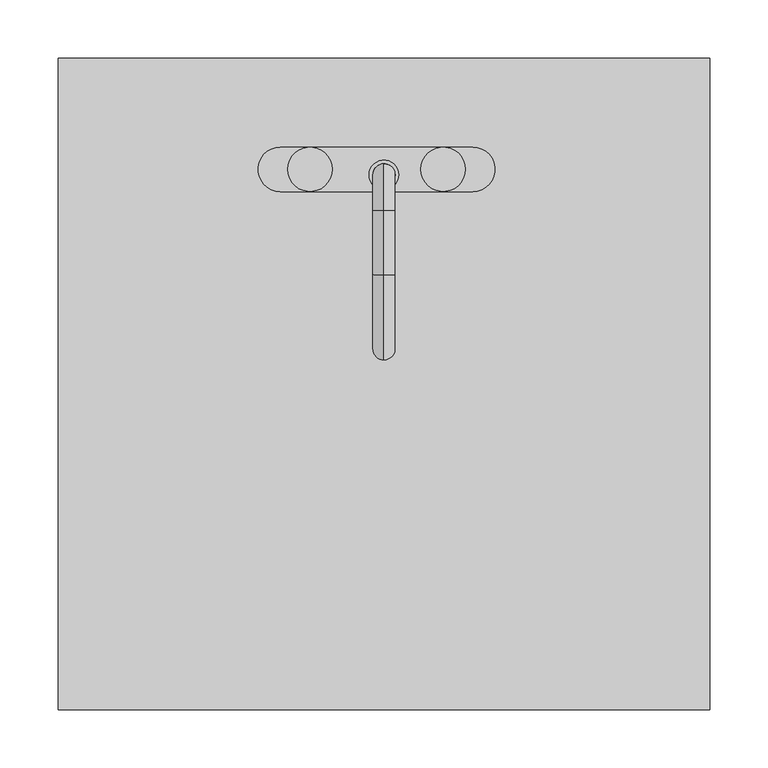
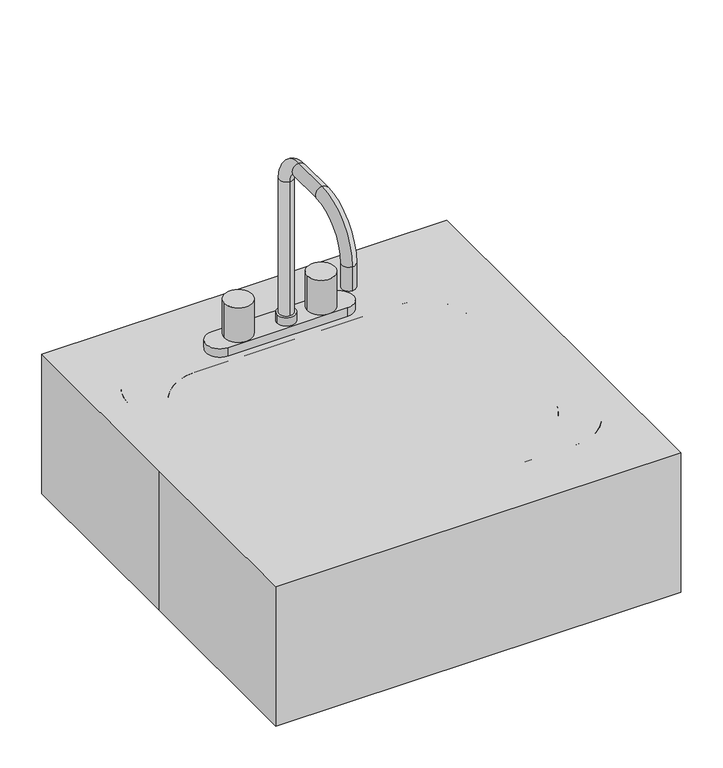
"""IFC4 building model written with IfcOpenShell, lengths in millimetres: proxy geometry."""

from ifc_helpers import new_model, si_unit, point, frame, frame_2d, origin, origin_with_axes, origin_2d, place, context, project, spatial, polyline, circle_curve, ellipse_curve, trimmed, segment, composite_curve, outline, extrude, source, transform, mapped, element, save
from ifc_brep_helpers import plane_surface, cylinder_surface, revolved_surface, advanced_brep


def specialty_equipment_25ddf7c5(model_context):
    return source(origin(), model_context, "Body", "SolidModel", [
        extrude(outline(composite_curve([segment(trimmed(circle_curve(frame_2d((139.6999999, 92.075)), 25.4), [point((139.6999999, 117.475))], [point((165.0999999, 92.075))], False, "CARTESIAN"), True, "CONTINUOUS"), segment(polyline([(165.0999999, 92.075), (165.0999999, -101.6)]), True, "CONTINUOUS"), segment(trimmed(circle_curve(frame_2d((139.6999999, -101.6)), 25.4), [point((165.0999999, -101.6))], [point((139.6999999, -127.0))], False, "CARTESIAN"), True, "CONTINUOUS"), segment(polyline([(139.6999999, -127.0), (-139.7000001, -127.0)]), True, "CONTINUOUS"), segment(trimmed(circle_curve(frame_2d((-139.7000001, -101.6)), 25.4), [point((-139.7000001, -127.0))], [point((-165.1000001, -101.6))], False, "CARTESIAN"), True, "CONTINUOUS"), segment(polyline([(-165.1000001, -101.6), (-165.1000001, 92.075)]), True, "CONTINUOUS"), segment(trimmed(circle_curve(frame_2d((-139.7000001, 92.075)), 25.4), [point((-165.1000001, 92.075))], [point((-139.7000001, 117.475))], False, "CARTESIAN"), True, "CONTINUOUS"), segment(polyline([(-139.7000001, 117.475), (139.6999999, 117.475)]), True, "CONTINUOUS")], self_intersect=False), holes=[composite_curve([segment(trimmed(circle_curve(origin_2d(), 12.7), [point((-12.7, 0.0))], [point((12.7, 0.0))], True, "CARTESIAN"), True, "CONTINUOUS"), segment(trimmed(circle_curve(origin_2d(), 12.7), [point((12.7, 0.0))], [point((-12.7, 0.0))], True, "CARTESIAN"), True, "CONTINUOUS")], self_intersect=False)]), origin_with_axes(), (0.0, 0.0, 1.0), 9.525),
        extrude(outline(polyline([(-279.4, 279.4), (279.4, 279.4), (279.4, -279.4), (-279.4, -279.4), (-279.4, 0.0), (-279.4, 279.4)])), origin_with_axes(), (0.0, 0.0, 1.0), 203.2),
        extrude(outline(composite_curve([segment(trimmed(circle_curve(frame_2d((76.1999999, 184.15)), 19.05), [point((76.1999999, 203.2))], [point((76.1999999, 165.1))], False, "CARTESIAN"), True, "CONTINUOUS"), segment(polyline([(76.1999999, 165.1), (-88.9000001, 165.1)]), True, "CONTINUOUS"), segment(trimmed(circle_curve(frame_2d((-88.9000001, 184.15)), 19.05), [point((-88.9000001, 165.1))], [point((-88.9000001, 203.2))], False, "CARTESIAN"), True, "CONTINUOUS"), segment(polyline([(-88.9000001, 203.2), (76.1999999, 203.2)]), True, "CONTINUOUS")], self_intersect=False), holes=[composite_curve([segment(trimmed(circle_curve(frame_2d((-1e-07, 179.3875)), 9.525), [point((-9.5250001, 179.3875))], [point((9.5249999, 179.3875))], True, "CARTESIAN"), True, "CONTINUOUS"), segment(trimmed(circle_curve(frame_2d((-1e-07, 179.3875)), 9.525), [point((9.5249999, 179.3875))], [point((-9.5250001, 179.3875))], True, "CARTESIAN"), True, "CONTINUOUS")], self_intersect=False)]), frame((0.0, 0.0, 203.2), z_axis=(0.0, 0.0, 1.0), x_axis=(1.0, 0.0, 0.0)), (0.0, 0.0, 1.0), 12.7),
        extrude(outline(composite_curve([segment(trimmed(circle_curve(frame_2d((-1e-07, 179.3875)), 12.7), [point((-12.7000001, 179.3875))], [point((12.6999999, 179.3875))], False, "CARTESIAN"), True, "CONTINUOUS"), segment(trimmed(circle_curve(frame_2d((-1e-07, 179.3875)), 12.7), [point((12.6999999, 179.3875))], [point((-12.7000001, 179.3875))], False, "CARTESIAN"), True, "CONTINUOUS")], self_intersect=False), holes=[composite_curve([segment(trimmed(circle_curve(frame_2d((-1e-07, 179.3875)), 9.525), [point((-9.5250001, 179.3875))], [point((9.5249999, 179.3875))], True, "CARTESIAN"), True, "CONTINUOUS"), segment(trimmed(circle_curve(frame_2d((-1e-07, 179.3875)), 9.525), [point((9.5249999, 179.3875))], [point((-9.5250001, 179.3875))], True, "CARTESIAN"), True, "CONTINUOUS")], self_intersect=False)]), frame((0.0, 0.0, 215.9), z_axis=(0.0, 0.0, 1.0), x_axis=(1.0, 0.0, 0.0)), (0.0, 0.0, 1.0), 12.7),
        advanced_brep(
        [(-1e-07, 188.9125, 203.2), (-1e-07, 169.8625, 203.2), (-1e-07, 188.9125, 423.8625), (-1e-07, 169.8625, 423.8625), (-1e-07, 149.225, 444.5), (-1e-07, 149.225, 463.55), (-1e-07, 93.6625, 463.55), (-1e-07, 93.6625, 444.5), (-1e-07, 39.6875, 390.525), (-1e-07, 20.6375, 390.525), (-1e-07, 20.6375, 355.6), (-1e-07, 39.6875, 355.6)],
        [
            (0, 1, circle_curve(frame((-1e-07, 179.3875, 203.2), z_axis=(0.0, 0.0, -1.0), x_axis=(0.0, -1.0, 0.0)), 9.525)),
            (1, 0, circle_curve(frame((-1e-07, 179.3875, 203.2), z_axis=(0.0, 0.0, -1.0), x_axis=(0.0, -1.0, 0.0)), 9.525)),
            (0, 2),
            (2, 3, circle_curve(frame((-1e-07, 179.3875, 423.8625), z_axis=(0.0, 0.0, -1.0), x_axis=(0.0, -1.0, 0.0)), 9.525)),
            (3, 1),
            (3, 2, circle_curve(frame((-1e-07, 179.3875, 423.8625), z_axis=(0.0, 0.0, -1.0), x_axis=(0.0, -1.0, 0.0)), 9.525)),
            (4, 3, circle_curve(frame((-1e-07, 149.225, 423.8625), z_axis=(-1.0, 0.0, 0.0), x_axis=(0.0, 1.0, 0.0)), 20.6375)),
            (2, 5, circle_curve(frame((-1e-07, 149.225, 423.8625), z_axis=(1.0, 0.0, 0.0), x_axis=(0.0, 1.0, 0.0)), 39.6875)),
            (5, 4, circle_curve(frame((-1e-07, 149.225, 454.025), z_axis=(0.0, 1.0, 0.0), x_axis=(0.0, 0.0, -1.0)), 9.525)),
            (4, 5, circle_curve(frame((-1e-07, 149.225, 454.025), z_axis=(0.0, 1.0, 0.0), x_axis=(0.0, 0.0, -1.0)), 9.525)),
            (5, 6),
            (6, 7, circle_curve(frame((-1e-07, 93.6625, 454.025), z_axis=(0.0, 1.0, 0.0), x_axis=(0.0, 0.0, -1.0)), 9.525)),
            (7, 4),
            (7, 6, circle_curve(frame((-1e-07, 93.6625, 454.025), z_axis=(0.0, 1.0, 0.0), x_axis=(0.0, 0.0, -1.0)), 9.525)),
            (8, 7, circle_curve(frame((-1e-07, 93.6625, 390.525), z_axis=(-1.0, 0.0, 0.0), x_axis=(0.0, 0.0, 1.0)), 53.975)),
            (6, 9, circle_curve(frame((-1e-07, 93.6625, 390.525), z_axis=(1.0, 0.0, 0.0), x_axis=(0.0, 0.0, 1.0)), 73.025)),
            (9, 8, circle_curve(frame((-1e-07, 30.1625, 390.525), z_axis=(0.0, 0.0, 1.0), x_axis=(0.0, 1.0, 0.0)), 9.525)),
            (8, 9, circle_curve(frame((-1e-07, 30.1625, 390.525), z_axis=(0.0, 0.0, 1.0), x_axis=(0.0, 1.0, 0.0)), 9.525)),
            (10, 11, circle_curve(frame((-1e-07, 30.1625, 355.6), z_axis=(0.0, 0.0, -1.0), x_axis=(0.0, 1.0, 0.0)), 9.525)),
            (11, 10, circle_curve(frame((-1e-07, 30.1625, 355.6), z_axis=(0.0, 0.0, -1.0), x_axis=(0.0, 1.0, 0.0)), 9.525)),
            (9, 10),
            (11, 8),
        ],
        [
            plane_surface(frame((-1e-07, 169.8625, 203.2), z_axis=(0.0, 0.0, -1.0), x_axis=(1.0, 0.0, 0.0))),
            cylinder_surface(frame((-1e-07, 179.3875, 203.2), z_axis=(0.0, 0.0, -1.0), x_axis=(0.0, -1.0, 0.0)), 9.525),
            revolved_surface(trimmed(ellipse_curve(frame((-1e-07, 179.3875, 423.8625), z_axis=(0.0, 0.0, -1.0), x_axis=(0.0, -1.0, 0.0)), 9.525, 9.525), [point((-1e-07, 188.9125, 423.8625))], [point((-1e-07, 169.8625, 423.8625))], True, "CARTESIAN"), (-1e-07, 149.225, 423.8625), (1.0, 0.0, 0.0)),
            revolved_surface(trimmed(ellipse_curve(frame((-1e-07, 179.3875, 423.8625), z_axis=(0.0, 0.0, -1.0), x_axis=(0.0, -1.0, 0.0)), 9.525, 9.525), [point((-1e-07, 169.8625, 423.8625))], [point((-1e-07, 188.9125, 423.8625))], True, "CARTESIAN"), (-1e-07, 149.225, 423.8625), (1.0, 0.0, 0.0)),
            cylinder_surface(frame((-1e-07, 149.225, 454.025), z_axis=(0.0, 1.0, 0.0), x_axis=(0.0, 0.0, -1.0)), 9.525),
            revolved_surface(trimmed(ellipse_curve(frame((-1e-07, 93.6625, 454.025), z_axis=(0.0, 1.0, 0.0), x_axis=(0.0, 0.0, -1.0)), 9.525, 9.525), [point((-1e-07, 93.6625, 463.55))], [point((-1e-07, 93.6625, 444.5))], True, "CARTESIAN"), (-1e-07, 93.6625, 390.525), (1.0, 0.0, 0.0)),
            revolved_surface(trimmed(ellipse_curve(frame((-1e-07, 93.6625, 454.025), z_axis=(0.0, 1.0, 0.0), x_axis=(0.0, 0.0, -1.0)), 9.525, 9.525), [point((-1e-07, 93.6625, 444.5))], [point((-1e-07, 93.6625, 463.55))], True, "CARTESIAN"), (-1e-07, 93.6625, 390.525), (1.0, 0.0, 0.0)),
            plane_surface(frame((-1e-07, 20.6375, 355.6), z_axis=(0.0, 0.0, -1.0), x_axis=(-1.0, 0.0, 0.0))),
            cylinder_surface(frame((-1e-07, 30.1625, 390.525), z_axis=(0.0, 0.0, 1.0), x_axis=(0.0, 1.0, 0.0)), 9.525),
        ],
        [
            (0, [[1, 2]]),
            (1, [[-1, 3, 4, 5]]),
            (1, [[-2, -5, 6, -3]]),
            (2, [[7, -4, 8, 9]]),
            (3, [[-8, -6, -7, 10]]),
            (4, [[-9, 11, 12, 13]]),
            (4, [[-10, -13, 14, -11]]),
            (5, [[15, -12, 16, 17]]),
            (6, [[-16, -14, -15, 18]]),
            (7, [[19, 20]]),
            (8, [[-17, 21, -20, 22]]),
            (8, [[-18, -22, -19, -21]]),
        ],
    ),
        extrude(outline(composite_curve([segment(trimmed(circle_curve(frame_2d((-63.5000001, 184.15)), 19.05), [point((-82.5500001, 184.15))], [point((-44.4500001, 184.15))], False, "CARTESIAN"), True, "CONTINUOUS"), segment(trimmed(circle_curve(frame_2d((-63.5000001, 184.15)), 19.05), [point((-44.4500001, 184.15))], [point((-82.5500001, 184.15))], False, "CARTESIAN"), True, "CONTINUOUS")], self_intersect=False)), frame((0.0, 0.0, 215.9), z_axis=(0.0, 0.0, 1.0), x_axis=(1.0, 0.0, 0.0)), (0.0, 0.0, 1.0), 50.8),
        extrude(outline(composite_curve([segment(trimmed(circle_curve(frame_2d((50.7999999, 184.15)), 19.05), [point((31.7499999, 184.15))], [point((69.8499999, 184.15))], False, "CARTESIAN"), True, "CONTINUOUS"), segment(trimmed(circle_curve(frame_2d((50.7999999, 184.15)), 19.05), [point((69.8499999, 184.15))], [point((31.7499999, 184.15))], False, "CARTESIAN"), True, "CONTINUOUS")], self_intersect=False)), frame((0.0, 0.0, 215.9), z_axis=(0.0, 0.0, 1.0), x_axis=(1.0, 0.0, 0.0)), (0.0, 0.0, 1.0), 50.8),
        advanced_brep(
        [(-139.7000001, 161.925, 0.0), (-139.7000001, 161.925, 190.5), (139.6999999, 161.925, 190.5), (139.6999999, 161.925, 0.0), (-139.7000001, 117.475, 0.0), (139.6999999, 117.475, 0.0), (-139.7000001, 117.475, 9.525), (139.6999999, 117.475, 9.525), (-139.7000001, 120.0634182, 9.525), (139.6999999, 120.0634182, 9.525), (-139.7000001, 139.0409272, 26.9146831), (139.6999999, 139.0409272, 26.9146831), (-139.7000001, 155.575, 190.5), (139.6999999, 155.575, 190.5), (209.5499999, 92.075, 0.0), (209.5499999, 92.075, 190.5), (165.0999999, 92.075, 0.0), (165.0999999, 92.075, 9.525), (167.6884181, 92.075, 9.525), (186.6659271, 92.075, 26.9146831), (203.1999999, 92.075, 190.5), (209.5499999, -101.6, 190.5), (209.5499999, -101.6, 0.0), (165.0999999, -101.6, 0.0), (165.0999999, -101.6, 9.525), (167.6884181, -101.6, 9.525), (186.6659271, -101.6, 26.9146831), (203.1999999, -101.6, 190.5), (139.6999999, -171.45, 0.0), (139.6999999, -171.45, 190.5), (139.6999999, -127.0, 0.0), (139.6999999, -127.0, 9.525), (139.6999999, -129.5884182, 9.525), (139.6999999, -148.5659272, 26.9146831), (139.6999999, -165.1, 190.5), (-139.7000001, -171.45, 190.5), (-139.7000001, -171.45, 0.0), (-139.7000001, -127.0, 0.0), (-139.7000001, -127.0, 9.525), (-139.7000001, -129.5884182, 9.525), (-139.7000001, -148.5659272, 26.9146831), (-139.7000001, -165.1, 190.5), (-209.5500001, -101.6, 0.0), (-209.5500001, -101.6, 190.5), (-165.1000001, -101.6, 0.0), (-165.1000001, -101.6, 9.525), (-167.6884183, -101.6, 9.525), (-186.6659273, -101.6, 26.9146831), (-203.2000001, -101.6, 190.5), (-209.5500001, 92.075, 190.5), (-209.5500001, 92.075, 0.0), (-165.1000001, 92.075, 0.0), (-165.1000001, 92.075, 9.525), (-167.6884183, 92.075, 9.525), (-186.6659273, 92.075, 26.9146831), (-203.2000001, 92.075, 190.5)],
        [
            (0, 1),
            (1, 2),
            (2, 3),
            (3, 0),
            (4, 0),
            (3, 5),
            (5, 4),
            (6, 4),
            (5, 7),
            (7, 6),
            (8, 6),
            (7, 9),
            (9, 8),
            (10, 8, circle_curve(frame((-139.7000001, 120.0634182, 28.575), z_axis=(-1.0, 0.0, 0.0), x_axis=(0.0, 1.0, 0.0)), 19.05)),
            (9, 11, circle_curve(frame((139.6999999, 120.0634182, 28.575), z_axis=(1.0, 0.0, 0.0), x_axis=(0.0, 1.0, 0.0)), 19.05)),
            (11, 10),
            (12, 10),
            (11, 13),
            (13, 12),
            (1, 12),
            (13, 2),
            (14, 3, circle_curve(frame((139.6999999, 92.075, 0.0), z_axis=(0.0, 0.0, 1.0), x_axis=(0.0, 1.0, 0.0)), 69.85)),
            (2, 15, circle_curve(frame((139.6999999, 92.075, 190.5), z_axis=(0.0, 0.0, -1.0), x_axis=(0.0, 1.0, 0.0)), 69.85)),
            (15, 14),
            (16, 5, circle_curve(frame((139.6999999, 92.075, 0.0), z_axis=(0.0, 0.0, 1.0), x_axis=(0.0, 1.0, 0.0)), 25.4)),
            (14, 16),
            (17, 7, circle_curve(frame((139.6999999, 92.075, 9.525), z_axis=(0.0, 0.0, 1.0), x_axis=(0.0, 1.0, 0.0)), 25.4)),
            (16, 17),
            (18, 9, circle_curve(frame((139.6999999, 92.075, 9.525), z_axis=(0.0, 0.0, 1.0), x_axis=(0.0, 1.0, 0.0)), 27.9884182)),
            (17, 18),
            (19, 11, circle_curve(frame((139.6999999, 92.075, 26.9146831), z_axis=(0.0, 0.0, 1.0), x_axis=(0.0, 1.0, 0.0)), 46.9659272)),
            (18, 19, circle_curve(frame((167.6884181, 92.075, 28.575), z_axis=(0.0, -1.0, 0.0), x_axis=(1.0, 0.0, 0.0)), 19.05)),
            (20, 13, circle_curve(frame((139.6999999, 92.075, 190.5), z_axis=(0.0, 0.0, 1.0), x_axis=(0.0, 1.0, 0.0)), 63.5)),
            (19, 20),
            (20, 15),
            (15, 21),
            (21, 22),
            (22, 14),
            (22, 23),
            (23, 16),
            (23, 24),
            (24, 17),
            (24, 25),
            (25, 18),
            (25, 26, circle_curve(frame((167.6884181, -101.6, 28.575), z_axis=(0.0, -1.0, 0.0), x_axis=(1.0, 0.0, 0.0)), 19.05)),
            (26, 19),
            (26, 27),
            (27, 20),
            (27, 21),
            (28, 22, circle_curve(frame((139.6999999, -101.6, 0.0), z_axis=(0.0, 0.0, 1.0), x_axis=(1.0, 0.0, 0.0)), 69.85)),
            (21, 29, circle_curve(frame((139.6999999, -101.6, 190.5), z_axis=(0.0, 0.0, -1.0), x_axis=(1.0, 0.0, 0.0)), 69.85)),
            (29, 28),
            (30, 23, circle_curve(frame((139.6999999, -101.6, 0.0), z_axis=(0.0, 0.0, 1.0), x_axis=(1.0, 0.0, 0.0)), 25.4)),
            (28, 30),
            (31, 24, circle_curve(frame((139.6999999, -101.6, 9.525), z_axis=(0.0, 0.0, 1.0), x_axis=(1.0, 0.0, 0.0)), 25.4)),
            (30, 31),
            (32, 25, circle_curve(frame((139.6999999, -101.6, 9.525), z_axis=(0.0, 0.0, 1.0), x_axis=(1.0, 0.0, 0.0)), 27.9884182)),
            (31, 32),
            (33, 26, circle_curve(frame((139.6999999, -101.6, 26.9146831), z_axis=(0.0, 0.0, 1.0), x_axis=(1.0, 0.0, 0.0)), 46.9659272)),
            (32, 33, circle_curve(frame((139.6999999, -129.5884182, 28.575), z_axis=(-1.0, 0.0, 0.0), x_axis=(0.0, -1.0, 0.0)), 19.05)),
            (34, 27, circle_curve(frame((139.6999999, -101.6, 190.5), z_axis=(0.0, 0.0, 1.0), x_axis=(1.0, 0.0, 0.0)), 63.5)),
            (33, 34),
            (34, 29),
            (29, 35),
            (35, 36),
            (36, 28),
            (36, 37),
            (37, 30),
            (37, 38),
            (38, 31),
            (38, 39),
            (39, 32),
            (39, 40, circle_curve(frame((-139.7000001, -129.5884182, 28.575), z_axis=(-1.0, 0.0, 0.0), x_axis=(0.0, -1.0, 0.0)), 19.05)),
            (40, 33),
            (40, 41),
            (41, 34),
            (41, 35),
            (42, 36, circle_curve(frame((-139.7000001, -101.6, 0.0), z_axis=(0.0, 0.0, 1.0), x_axis=(0.0, -1.0, 0.0)), 69.85)),
            (35, 43, circle_curve(frame((-139.7000001, -101.6, 190.5), z_axis=(0.0, 0.0, -1.0), x_axis=(0.0, -1.0, 0.0)), 69.85)),
            (43, 42),
            (44, 37, circle_curve(frame((-139.7000001, -101.6, 0.0), z_axis=(0.0, 0.0, 1.0), x_axis=(0.0, -1.0, 0.0)), 25.4)),
            (42, 44),
            (45, 38, circle_curve(frame((-139.7000001, -101.6, 9.525), z_axis=(0.0, 0.0, 1.0), x_axis=(0.0, -1.0, 0.0)), 25.4)),
            (44, 45),
            (46, 39, circle_curve(frame((-139.7000001, -101.6, 9.525), z_axis=(0.0, 0.0, 1.0), x_axis=(0.0, -1.0, 0.0)), 27.9884182)),
            (45, 46),
            (47, 40, circle_curve(frame((-139.7000001, -101.6, 26.9146831), z_axis=(0.0, 0.0, 1.0), x_axis=(0.0, -1.0, 0.0)), 46.9659272)),
            (46, 47, circle_curve(frame((-167.6884183, -101.6, 28.575), z_axis=(0.0, 1.0, 0.0), x_axis=(-1.0, 0.0, 0.0)), 19.05)),
            (48, 41, circle_curve(frame((-139.7000001, -101.6, 190.5), z_axis=(0.0, 0.0, 1.0), x_axis=(0.0, -1.0, 0.0)), 63.5)),
            (47, 48),
            (48, 43),
            (43, 49),
            (49, 50),
            (50, 42),
            (50, 51),
            (51, 44),
            (51, 52),
            (52, 45),
            (52, 53),
            (53, 46),
            (53, 54, circle_curve(frame((-167.6884183, 92.075, 28.575), z_axis=(0.0, 1.0, 0.0), x_axis=(-1.0, 0.0, 0.0)), 19.05)),
            (54, 47),
            (54, 55),
            (55, 48),
            (55, 49),
            (0, 50, circle_curve(frame((-139.7000001, 92.075, 0.0), z_axis=(0.0, 0.0, 1.0), x_axis=(-1.0, 0.0, 0.0)), 69.85)),
            (49, 1, circle_curve(frame((-139.7000001, 92.075, 190.5), z_axis=(0.0, 0.0, -1.0), x_axis=(-1.0, 0.0, 0.0)), 69.85)),
            (4, 51, circle_curve(frame((-139.7000001, 92.075, 0.0), z_axis=(0.0, 0.0, 1.0), x_axis=(-1.0, 0.0, 0.0)), 25.4)),
            (6, 52, circle_curve(frame((-139.7000001, 92.075, 9.525), z_axis=(0.0, 0.0, 1.0), x_axis=(-1.0, 0.0, 0.0)), 25.4)),
            (8, 53, circle_curve(frame((-139.7000001, 92.075, 9.525), z_axis=(0.0, 0.0, 1.0), x_axis=(-1.0, 0.0, 0.0)), 27.9884182)),
            (10, 54, circle_curve(frame((-139.7000001, 92.075, 26.9146831), z_axis=(0.0, 0.0, 1.0), x_axis=(-1.0, 0.0, 0.0)), 46.9659272)),
            (12, 55, circle_curve(frame((-139.7000001, 92.075, 190.5), z_axis=(0.0, 0.0, 1.0), x_axis=(-1.0, 0.0, 0.0)), 63.5)),
        ],
        [
            plane_surface(frame((-139.7000001, 161.925, 190.5), z_axis=(0.0, 1.0, 0.0), x_axis=(1.0, 0.0, 0.0))),
            plane_surface(frame((-139.7000001, 161.925, 0.0), z_axis=(0.0, 0.0, -1.0), x_axis=(1.0, 0.0, 0.0))),
            plane_surface(frame((-139.7000001, 117.475, 0.0), z_axis=(0.0, -1.0, 0.0), x_axis=(1.0, 0.0, 0.0))),
            plane_surface(frame((-139.7000001, 117.475, 9.525), z_axis=(0.0, 0.0, 1.0), x_axis=(1.0, 0.0, 0.0))),
            revolved_surface(polyline([(139.69999989999997, 139.1134182, 28.575), (-139.7000001, 139.1134182, 28.575)]), (-139.7000001, 120.0634182, 28.575), (1.0, 0.0, 0.0)),
            plane_surface(frame((-139.7000001, 139.0409272, 26.9146831), z_axis=(0.0, -0.9949309211512617, 0.10056073854692034), x_axis=(1.0, 0.0, 0.0))),
            plane_surface(frame((-139.7000001, 155.575, 190.5), z_axis=(0.0, 0.0, 1.0), x_axis=(1.0, 0.0, 0.0))),
            cylinder_surface(frame((139.6999999, 92.075, -647.7), z_axis=(0.0, 0.0, -1.0), x_axis=(0.0, 1.0, 0.0)), 69.85),
            plane_surface(frame((139.6999999, 92.075, 0.0), z_axis=(0.0, 0.0, -1.0), x_axis=(0.0, 1.0, 0.0))),
            revolved_surface(polyline([(139.6999999, 117.475, 0.0), (139.6999999, 117.475, 9.524999999999977)]), (139.6999999, 92.075, -647.7), (0.0, 0.0, -1.0)),
            plane_surface(frame((139.6999999, 92.075, 9.525), z_axis=(0.0, 0.0, 1.0), x_axis=(0.0, 1.0, 0.0))),
            revolved_surface(trimmed(ellipse_curve(frame((139.6999999, 120.0634182, 28.575), z_axis=(1.0, 0.0, 0.0), x_axis=(0.0, 1.0, 0.0)), 19.05, 19.05), [point((139.6999999, 120.0634182, 9.525))], [point((139.6999999, 139.0409272, 26.9146831))], True, "CARTESIAN"), (139.6999999, 92.075, -647.7), (0.0, 0.0, -1.0)),
            revolved_surface(polyline([(139.6999999, 139.0409272, 26.9146831), (139.6999999, 155.575, 190.5)]), (139.6999999, 92.075, -647.7), (0.0, 0.0, -1.0)),
            plane_surface(frame((139.6999999, 92.075, 190.5), z_axis=(0.0, 0.0, 1.0), x_axis=(0.0, 1.0, 0.0))),
            plane_surface(frame((209.5499999, 92.075, 190.5), z_axis=(1.0, 0.0, 0.0), x_axis=(0.0, -1.0, 0.0))),
            plane_surface(frame((209.5499999, 92.075, 0.0), z_axis=(0.0, 0.0, -1.0), x_axis=(0.0, -1.0, 0.0))),
            plane_surface(frame((165.0999999, 92.075, 0.0), z_axis=(-1.0, 0.0, 0.0), x_axis=(0.0, -1.0, 0.0))),
            plane_surface(frame((165.0999999, 92.075, 9.525), z_axis=(0.0, 0.0, 1.0), x_axis=(0.0, -1.0, 0.0))),
            revolved_surface(polyline([(186.73841810000002, -101.60000000000001, 28.575), (186.73841810000002, 92.075, 28.575)]), (167.6884181, 92.075, 28.575), (0.0, -1.0, 0.0)),
            plane_surface(frame((186.6659271, 92.075, 26.9146831), z_axis=(-0.9949309211512617, 0.0, 0.10056073854692034), x_axis=(0.0, -1.0, 0.0))),
            plane_surface(frame((203.1999999, 92.075, 190.5), z_axis=(0.0, 0.0, 1.0), x_axis=(0.0, -1.0, 0.0))),
            cylinder_surface(frame((139.6999999, -101.6, -647.7), z_axis=(0.0, 0.0, -1.0), x_axis=(1.0, 0.0, 0.0)), 69.85),
            plane_surface(frame((139.6999999, -101.6, 0.0), z_axis=(0.0, 0.0, -1.0), x_axis=(1.0, 0.0, 0.0))),
            revolved_surface(polyline([(165.0999999, -101.6, 0.0), (165.0999999, -101.6, 9.524999999999977)]), (139.6999999, -101.6, -647.7), (0.0, 0.0, -1.0)),
            plane_surface(frame((139.6999999, -101.6, 9.525), z_axis=(0.0, 0.0, 1.0), x_axis=(1.0, 0.0, 0.0))),
            revolved_surface(trimmed(ellipse_curve(frame((167.6884181, -101.6, 28.575), z_axis=(0.0, -1.0, 0.0), x_axis=(1.0, 0.0, 0.0)), 19.05, 19.05), [point((167.6884181, -101.6, 9.525))], [point((186.6659271, -101.6, 26.9146831))], True, "CARTESIAN"), (139.6999999, -101.6, -647.7), (0.0, 0.0, -1.0)),
            revolved_surface(polyline([(186.6659271, -101.6, 26.9146831), (203.1999999, -101.6, 190.5)]), (139.6999999, -101.6, -647.7), (0.0, 0.0, -1.0)),
            plane_surface(frame((139.6999999, -101.6, 190.5), z_axis=(0.0, 0.0, 1.0), x_axis=(1.0, 0.0, 0.0))),
            plane_surface(frame((139.6999999, -171.45, 190.5), z_axis=(0.0, -1.0, 0.0), x_axis=(-1.0, 0.0, 0.0))),
            plane_surface(frame((139.6999999, -171.45, 0.0), z_axis=(0.0, 0.0, -1.0), x_axis=(-1.0, 0.0, 0.0))),
            plane_surface(frame((139.6999999, -127.0, 0.0), z_axis=(0.0, 1.0, 0.0), x_axis=(-1.0, 0.0, 0.0))),
            plane_surface(frame((139.6999999, -127.0, 9.525), z_axis=(0.0, 0.0, 1.0), x_axis=(-1.0, 0.0, 0.0))),
            revolved_surface(polyline([(-139.70000009999998, -148.63841820000002, 28.575), (139.6999999, -148.63841820000002, 28.575)]), (139.6999999, -129.5884182, 28.575), (-1.0, 0.0, 0.0)),
            plane_surface(frame((139.6999999, -148.5659272, 26.9146831), z_axis=(0.0, 0.9949309211512617, 0.10056073854692034), x_axis=(-1.0, 0.0, 0.0))),
            plane_surface(frame((139.6999999, -165.1, 190.5), z_axis=(0.0, 0.0, 1.0), x_axis=(-1.0, 0.0, 0.0))),
            cylinder_surface(frame((-139.7000001, -101.6, -647.7), z_axis=(0.0, 0.0, -1.0), x_axis=(0.0, -1.0, 0.0)), 69.85),
            plane_surface(frame((-139.7000001, -101.6, 0.0), z_axis=(0.0, 0.0, -1.0), x_axis=(0.0, -1.0, 0.0))),
            revolved_surface(polyline([(-139.7000001, -127.0, 0.0), (-139.7000001, -127.0, 9.524999999999977)]), (-139.7000001, -101.6, -647.7), (0.0, 0.0, -1.0)),
            plane_surface(frame((-139.7000001, -101.6, 9.525), z_axis=(0.0, 0.0, 1.0), x_axis=(0.0, -1.0, 0.0))),
            revolved_surface(trimmed(ellipse_curve(frame((-139.7000001, -129.5884182, 28.575), z_axis=(-1.0, 0.0, 0.0), x_axis=(0.0, -1.0, 0.0)), 19.05, 19.05), [point((-139.7000001, -129.5884182, 9.525))], [point((-139.7000001, -148.5659272, 26.9146831))], True, "CARTESIAN"), (-139.7000001, -101.6, -647.7), (0.0, 0.0, -1.0)),
            revolved_surface(polyline([(-139.7000001, -148.5659272, 26.9146831), (-139.7000001, -165.1, 190.5)]), (-139.7000001, -101.6, -647.7), (0.0, 0.0, -1.0)),
            plane_surface(frame((-139.7000001, -101.6, 190.5), z_axis=(0.0, 0.0, 1.0), x_axis=(0.0, -1.0, 0.0))),
            plane_surface(frame((-209.5500001, -101.6, 190.5), z_axis=(-1.0, 0.0, 0.0), x_axis=(0.0, 1.0, 0.0))),
            plane_surface(frame((-209.5500001, -101.6, 0.0), z_axis=(0.0, 0.0, -1.0), x_axis=(0.0, 1.0, 0.0))),
            plane_surface(frame((-165.1000001, -101.6, 0.0), z_axis=(1.0, 0.0, 0.0), x_axis=(0.0, 1.0, 0.0))),
            plane_surface(frame((-165.1000001, -101.6, 9.525), z_axis=(0.0, 0.0, 1.0), x_axis=(0.0, 1.0, 0.0))),
            revolved_surface(polyline([(-186.7384183, 92.07500000000002, 28.575), (-186.7384183, -101.6, 28.575)]), (-167.6884183, -101.6, 28.575), (0.0, 1.0, 0.0)),
            plane_surface(frame((-186.6659273, -101.6, 26.9146831), z_axis=(0.9949309211512617, 0.0, 0.10056073854692034), x_axis=(0.0, 1.0, 0.0))),
            plane_surface(frame((-203.2000001, -101.6, 190.5), z_axis=(0.0, 0.0, 1.0), x_axis=(0.0, 1.0, 0.0))),
            cylinder_surface(frame((-139.7000001, 92.075, -647.7), z_axis=(0.0, 0.0, -1.0), x_axis=(-1.0, 0.0, 0.0)), 69.85),
            plane_surface(frame((-139.7000001, 92.075, 0.0), z_axis=(0.0, 0.0, -1.0), x_axis=(-1.0, 0.0, 0.0))),
            revolved_surface(polyline([(-165.10000010000002, 92.075, 0.0), (-165.10000010000002, 92.075, 9.524999999999977)]), (-139.7000001, 92.075, -647.7), (0.0, 0.0, -1.0)),
            plane_surface(frame((-139.7000001, 92.075, 9.525), z_axis=(0.0, 0.0, 1.0), x_axis=(-1.0, 0.0, 0.0))),
            revolved_surface(trimmed(ellipse_curve(frame((-167.6884183, 92.075, 28.575), z_axis=(0.0, 1.0, 0.0), x_axis=(-1.0, 0.0, 0.0)), 19.05, 19.05), [point((-167.6884183, 92.075, 9.525))], [point((-186.6659273, 92.075, 26.9146831))], True, "CARTESIAN"), (-139.7000001, 92.075, -647.7), (0.0, 0.0, -1.0)),
            revolved_surface(polyline([(-186.6659273, 92.075, 26.9146831), (-203.2000001, 92.075, 190.5)]), (-139.7000001, 92.075, -647.7), (0.0, 0.0, -1.0)),
            plane_surface(frame((-139.7000001, 92.075, 190.5), z_axis=(0.0, 0.0, 1.0), x_axis=(-1.0, 0.0, 0.0))),
        ],
        [
            (0, [[1, 2, 3, 4]]),
            (1, [[5, -4, 6, 7]]),
            (2, [[8, -7, 9, 10]]),
            (3, [[11, -10, 12, 13]]),
            (4, [[14, -13, 15, 16]]),
            (5, [[17, -16, 18, 19]]),
            (6, [[20, -19, 21, -2]]),
            (7, [[22, -3, 23, 24]]),
            (8, [[25, -6, -22, 26]]),
            (9, [[27, -9, -25, 28]]),
            (10, [[29, -12, -27, 30]]),
            (11, [[31, -15, -29, 32]]),
            (12, [[33, -18, -31, 34]]),
            (13, [[-23, -21, -33, 35]]),
            (14, [[-24, 36, 37, 38]]),
            (15, [[-26, -38, 39, 40]]),
            (16, [[-28, -40, 41, 42]]),
            (17, [[-30, -42, 43, 44]]),
            (18, [[-32, -44, 45, 46]]),
            (19, [[-34, -46, 47, 48]]),
            (20, [[-35, -48, 49, -36]]),
            (21, [[50, -37, 51, 52]]),
            (22, [[53, -39, -50, 54]]),
            (23, [[55, -41, -53, 56]]),
            (24, [[57, -43, -55, 58]]),
            (25, [[59, -45, -57, 60]]),
            (26, [[61, -47, -59, 62]]),
            (27, [[-51, -49, -61, 63]]),
            (28, [[-52, 64, 65, 66]]),
            (29, [[-54, -66, 67, 68]]),
            (30, [[-56, -68, 69, 70]]),
            (31, [[-58, -70, 71, 72]]),
            (32, [[-60, -72, 73, 74]]),
            (33, [[-62, -74, 75, 76]]),
            (34, [[-63, -76, 77, -64]]),
            (35, [[78, -65, 79, 80]]),
            (36, [[81, -67, -78, 82]]),
            (37, [[83, -69, -81, 84]]),
            (38, [[85, -71, -83, 86]]),
            (39, [[87, -73, -85, 88]]),
            (40, [[89, -75, -87, 90]]),
            (41, [[-79, -77, -89, 91]]),
            (42, [[-80, 92, 93, 94]]),
            (43, [[-82, -94, 95, 96]]),
            (44, [[-84, -96, 97, 98]]),
            (45, [[-86, -98, 99, 100]]),
            (46, [[-88, -100, 101, 102]]),
            (47, [[-90, -102, 103, 104]]),
            (48, [[-91, -104, 105, -92]]),
            (49, [[106, -93, 107, -1]]),
            (50, [[108, -95, -106, -5]]),
            (51, [[109, -97, -108, -8]]),
            (52, [[110, -99, -109, -11]]),
            (53, [[111, -101, -110, -14]]),
            (54, [[112, -103, -111, -17]]),
            (55, [[-107, -105, -112, -20]]),
        ],
    ),
        extrude(outline(composite_curve([segment(trimmed(circle_curve(frame_2d((-177.8, -139.7)), 63.5), [point((-177.8, -203.2))], [point((-241.3, -139.7))], False, "CARTESIAN"), True, "CONTINUOUS"), segment(polyline([(-241.3, -139.7), (-241.3, 139.7)]), True, "CONTINUOUS"), segment(trimmed(circle_curve(frame_2d((-177.8, 139.7)), 63.5), [point((-241.3, 139.7))], [point((-177.8, 203.2))], False, "CARTESIAN"), True, "CONTINUOUS"), segment(polyline([(-177.8, 203.2), (177.7999999, 203.2)]), True, "CONTINUOUS"), segment(trimmed(circle_curve(frame_2d((177.7999999, 139.7)), 63.5), [point((177.7999999, 203.2))], [point((241.2999999, 139.7))], False, "CARTESIAN"), True, "CONTINUOUS"), segment(polyline([(241.2999999, 139.7), (241.2999999, -139.7)]), True, "CONTINUOUS"), segment(trimmed(circle_curve(frame_2d((177.7999999, -139.7)), 63.5), [point((241.2999999, -139.7))], [point((177.7999999, -203.2))], False, "CARTESIAN"), True, "CONTINUOUS"), segment(polyline([(177.7999999, -203.2), (-177.8, -203.2)]), True, "CONTINUOUS")], self_intersect=False), holes=[composite_curve([segment(polyline([(139.6999999, 155.575), (-139.7000001, 155.575)]), True, "CONTINUOUS"), segment(trimmed(circle_curve(frame_2d((-139.7000001, 92.075)), 63.5), [point((-139.7000001, 155.575))], [point((-203.2000001, 92.075))], True, "CARTESIAN"), True, "CONTINUOUS"), segment(polyline([(-203.2000001, 92.075), (-203.2000001, -101.6)]), True, "CONTINUOUS"), segment(trimmed(circle_curve(frame_2d((-139.7000001, -101.6)), 63.5), [point((-203.2000001, -101.6))], [point((-139.7000001, -165.1))], True, "CARTESIAN"), True, "CONTINUOUS"), segment(polyline([(-139.7000001, -165.1), (139.6999999, -165.1)]), True, "CONTINUOUS"), segment(trimmed(circle_curve(frame_2d((139.6999999, -101.6)), 63.5), [point((139.6999999, -165.1))], [point((203.1999999, -101.6))], True, "CARTESIAN"), True, "CONTINUOUS"), segment(polyline([(203.1999999, -101.6), (203.1999999, 92.075)]), True, "CONTINUOUS"), segment(trimmed(circle_curve(frame_2d((139.6999999, 92.075)), 63.5), [point((203.1999999, 92.075))], [point((139.6999999, 155.575))], True, "CARTESIAN"), True, "CONTINUOUS")], self_intersect=False)]), frame((0.0, 0.0, 190.5), z_axis=(0.0, 0.0, 1.0), x_axis=(1.0, 0.0, 0.0)), (0.0, 0.0, 1.0), 12.7),
    ])


if __name__ == "__main__":
    model = new_model("IFC4")
    model_context = context("Model", 3, world=origin())
    ifc_project = project(units=[si_unit("LENGTHUNIT", "METRE", prefix="MILLI")], contexts=[model_context])
    site = spatial("IfcSite", under=ifc_project)
    building = spatial("IfcBuilding", under=site)
    placement = place(None, origin())
    specialty_equipment_shape = specialty_equipment_25ddf7c5(model_context)
    element("IfcBuildingElementProxy", 1, Name="Specialty Equipment", at=placement, inside=building, context=model_context, shape_type="MappedRepresentation", body=[
        mapped(specialty_equipment_shape, transform((0.0, 0.0, 0.0), x_axis=(1.0, 0.0, 0.0), y_axis=(0.0, 1.0, 0.0), z_axis=(0.0, 0.0, 1.0))),
    ])
    save(model, "model.ifc")
